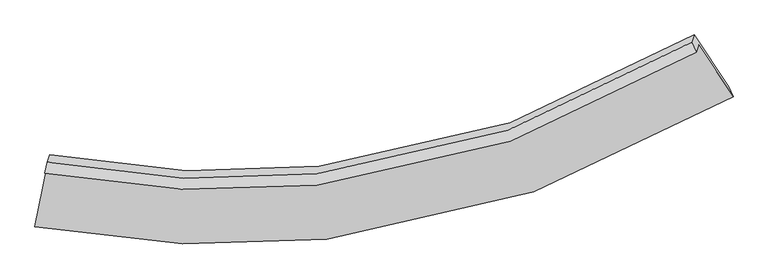
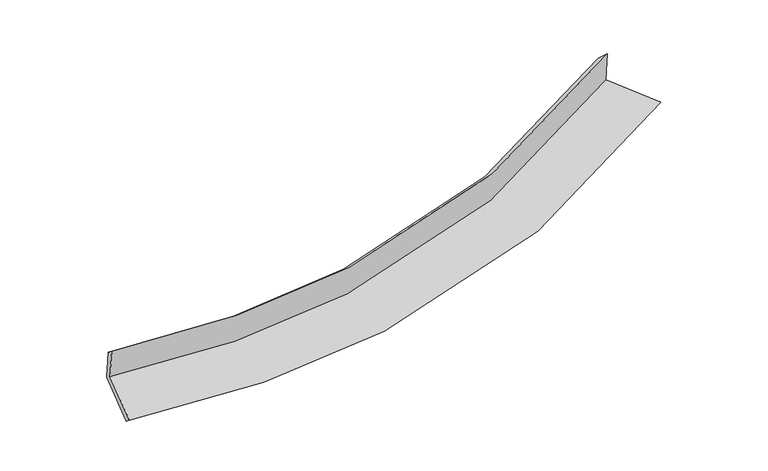
"""IFC4 building model written with IfcOpenShell, lengths in millimetres: proxy geometry."""

from ifc_helpers import new_model, si_unit, frame, origin, place, context, project, spatial, source, transform, mapped, element, save
from ifc_brep_helpers import plane_surface, spline_curve, spline_surface, advanced_brep


def generic_models_3bf3bb84(model_context):
    return source(origin(), model_context, "Body", "AdvancedBrep", [
        advanced_brep(
        [(-3270.5263487, -1862.4245309, 1633.5999148), (-3401.0523645, -2505.0795063, 1495.8786), (3952.0945994, -1131.8330853, 2247.112865), (3588.9795417, -587.0776913, 2332.1708878), (-3296.4705741, -1940.291056, 2021.5406357), (3562.3795778, -666.9122874, 2729.9167834), (-3270.0157982, -1824.2429297, 1931.1677864), (3514.7024994, -559.8096542, 2624.7618678), (-3244.0715728, -1746.3764046, 1543.2270655), (3540.5215469, -482.318826, 2238.6929159), (-3374.5975886, -2389.0313799, 1405.5057507), (3905.4342293, -1029.7710671, 2153.2138078)],
        [
            (0, 1),
            (1, 2, spline_curve(3, [(-3401.0523645, -2505.0795063, 1495.8786), (-2350.820379613, -2699.813899307, 1520.440724779), (-1326.216622639, -2742.006546864, 1575.685747806), (1155.677478942, -2467.850905944, 1789.168456223), (2582.122710373, -1967.909451782, 1984.334854436), (3952.0945994, -1131.8330853, 2247.112865)], [4, 2, 4], [0.0, 9.772169449101831, 24.27836219972336])),
            (2, 3),
            (3, 0, spline_curve(3, [(3588.9795417, -587.0776913, 2332.1708878), (2309.85035653, -1365.87574016, 2086.964910306), (978.713069245, -1831.112321099, 1905.138278178), (-1336.195143394, -2084.964132805, 1706.898384195), (-2291.559819654, -2044.843165267, 1655.868025081), (-3270.5263487, -1862.4245309, 1633.5999148)], [4, 2, 4], [0.0, 14.50619275062153, 24.27836219972336])),
            (4, 0),
            (3, 5),
            (5, 4, spline_curve(3, [(3562.3795778, -666.9122874, 2729.9167834), (2282.597278272, -1447.670532342, 2494.476746226), (951.275141784, -1913.461902022, 2315.414141268), (-1363.158730312, -2165.890072443, 2110.081488326), (-2318.119977935, -2124.558292392, 2053.018710358), (-3296.4705741, -1940.291056, 2021.5406357)], [4, 2, 4], [0.0, 14.000984824614875, 23.43281842234352])),
            (6, 4),
            (5, 7),
            (7, 6, spline_curve(3, [(3514.7024994, -559.8096542, 2624.7618678), (2249.543700171, -1332.716221121, 2389.785894844), (932.929288876, -1794.282735004, 2212.669143714), (-1356.747962624, -2045.710004862, 2013.07318325), (-2301.706317122, -2005.621249264, 1958.991906968), (-3270.0157982, -1824.2429297, 1931.1677864)], [4, 2, 4], [0.0, 13.925670427040991, 23.30676810338065])),
            (8, 6),
            (7, 9),
            (9, 8, spline_curve(3, [(3540.5215469, -482.318826, 2238.6929159), (2275.711219477, -1254.179523192, 1998.506290477), (959.251965916, -1715.280361336, 1819.069484049), (-1330.489145464, -1966.899294096, 1620.428411996), (-2275.560931705, -1927.150982246, 1568.043268337), (-3244.0715728, -1746.3764046, 1543.2270655)], [4, 2, 4], [0.0, 13.850345725309609, 23.18070053881294])),
            (10, 8),
            (9, 11),
            (11, 10, spline_curve(3, [(3905.4342293, -1029.7710671, 2153.2138078), (2548.255253955, -1852.693419919, 1896.600892593), (1135.659938579, -2345.67596772, 1704.335596342), (-1321.285124874, -2618.553270982, 1490.245533887), (-2335.367082367, -2578.657494263, 1433.274811212), (-3374.5975886, -2389.0313799, 1405.5057507)], [4, 2, 4], [0.0, 14.353941752407723, 24.02354655350593])),
            (1, 10),
            (11, 2),
        ],
        [
            spline_surface(3, 3, [[(-3270.5263487, -1862.4245309, 1633.5999148), (-2291.559819711, -2044.843165418, 1655.868024971), (-1336.19514347, -2084.964132869, 1706.898384036), (978.713069357, -1831.112321004, 1905.138278414), (2309.850356593, -1365.875740393, 2086.964910335), (3588.9795417, -587.0776913, 2332.1708878)], [(-3314.035020632, -2076.642856018, 1587.692809859), (-2311.313339682, -2263.166743401, 1610.725591601), (-1332.868969912, -2303.978270828, 1663.160838669), (1037.701205934, -2043.35851599, 1866.481670953), (2400.60780781, -1566.553644149, 2052.754891761), (3710.017894274, -768.662822654, 2303.818213527)], [(-3357.543692568, -2290.861181182, 1541.785704941), (-2331.066859657, -2481.490321429, 1565.583158254), (-1329.542796319, -2522.99240885, 1619.423293302), (1096.689342547, -2255.60471104, 1827.825063492), (2491.365259006, -1767.231547843, 2018.544873205), (3831.056246826, -950.247953946, 2275.465539273)], [(-3401.0523645, -2505.0795063, 1495.8786), (-2350.820379628, -2699.813899412, 1520.440724884), (-1326.216622761, -2742.006546809, 1575.685747935), (1155.677479124, -2467.850906026, 1789.168456031), (2582.122710223, -1967.909451599, 1984.334854631), (3952.0945994, -1131.8330853, 2247.112865)]], [4, 4], [4, 2, 4], [0.0, 2.179493851927325], [0.0, 9.772169449101831, 24.27836219972336]),
            spline_surface(3, 3, [[(-3296.4705741, -1940.291056, 2021.5406357), (-2318.119977854, -2124.558292346, 2053.01871029), (-1363.158730259, -2165.89007244, 2110.081488183), (951.275141706, -1913.461902026, 2315.414141481), (2282.59727808, -1447.67053244, 2494.476746146), (3562.3795778, -666.9122874, 2729.9167834)], [(-3287.822498979, -1914.335547622, 1892.227062056), (-2309.266591819, -2097.986583359, 1920.635148506), (-1354.170867981, -2138.914759277, 1975.687120153), (960.421117604, -1886.012041713, 2178.655520477), (2291.681637568, -1420.405601747, 2358.639467533), (3571.246232417, -640.300755356, 2597.334818191)], [(-3279.174423821, -1888.380039278, 1762.913488444), (-2300.413205746, -2071.414874405, 1788.251586755), (-1345.183005747, -2111.939446032, 1841.292752066), (969.567093459, -1858.562181318, 2041.896899417), (2300.765997105, -1393.140671086, 2222.802188948), (3580.112887083, -613.689223344, 2464.752853009)], [(-3270.5263487, -1862.4245309, 1633.5999148), (-2291.559819711, -2044.843165418, 1655.868024971), (-1336.19514347, -2084.964132869, 1706.898384036), (978.713069357, -1831.112321004, 1905.138278414), (2309.850356593, -1365.875740393, 2086.964910335), (3588.9795417, -587.0776913, 2332.1708878)]], [4, 4], [4, 2, 4], [0.0, 1.3667139838345554], [0.0, 9.431833597728644, 23.43281842234352]),
            spline_surface(3, 3, [[(-3270.0157982, -1824.2429297, 1931.1677864), (-2301.70631706, -2005.621249264, 1958.991906879), (-1356.747962557, -2045.710004818, 2013.07318311), (932.929288778, -1794.28273507, 2212.669143922), (2249.543700128, -1332.716221023, 2389.785894877), (3514.7024994, -559.8096542, 2624.7618678)], [(-3278.834056841, -1862.925638479, 1961.292069496), (-2307.177537332, -2045.266930303, 1990.334174679), (-1358.884885145, -2085.77002735, 2045.409284783), (939.044573067, -1834.009124047, 2246.917476424), (2260.561559429, -1371.034324824, 2424.682845327), (3530.594858851, -595.510531928, 2659.81350636)], [(-3287.652315459, -1901.608347221, 1991.416352604), (-2312.648757582, -2084.912611307, 2021.67644249), (-1361.021807671, -2125.830049908, 2077.74538651), (945.159857417, -1873.735513049, 2281.165808979), (2271.579418779, -1409.35242864, 2459.579795696), (3546.487218349, -631.211409672, 2694.86514484)], [(-3296.4705741, -1940.291056, 2021.5406357), (-2318.119977854, -2124.558292346, 2053.01871029), (-1363.158730259, -2165.89007244, 2110.081488183), (951.275141706, -1913.461902026, 2315.414141481), (2282.59727808, -1447.67053244, 2494.476746146), (3562.3795778, -666.9122874, 2729.9167834)]], [4, 4], [4, 2, 4], [0.0, 0.5135318257142719], [0.0, 9.38109767633966, 23.30676810338065]),
            spline_surface(3, 3, [[(-3244.0715728, -1746.3764046, 1543.2270655), (-2275.56093183, -1927.150982225, 1568.043268486), (-1330.489145403, -1966.899294091, 1620.428412062), (959.251965826, -1715.280361343, 1819.069483951), (2275.711219273, -1254.179523243, 1998.50629054), (3540.5215469, -482.318826, 2238.6929159)], [(-3252.719647921, -1772.331912978, 1672.540639144), (-2284.276060227, -1953.307737916, 1698.359481294), (-1339.24208443, -1993.169531001, 1751.310002429), (950.477740168, -1741.614485919, 1950.269370625), (2266.988712897, -1280.358422494, 2128.93282532), (3531.91519774, -508.149102057, 2367.382566534)], [(-3261.367723079, -1798.287421322, 1801.854212756), (-2292.991188662, -1979.464493573, 1828.67569407), (-1347.99502353, -2019.439767908, 1882.191592744), (941.703514436, -1767.948610494, 2081.469257248), (2258.266206503, -1306.537321773, 2259.359360097), (3523.30884856, -533.979378143, 2496.072217166)], [(-3270.0157982, -1824.2429297, 1931.1677864), (-2301.70631706, -2005.621249264, 1958.991906879), (-1356.747962557, -2045.710004818, 2013.07318311), (932.929288778, -1794.28273507, 2212.669143922), (2249.543700128, -1332.716221023, 2389.785894877), (3514.7024994, -559.8096542, 2624.7618678)]], [4, 4], [4, 2, 4], [0.0, 1.3181703057310172], [0.0, 9.33035481350333, 23.18070053881294]),
            spline_surface(3, 3, [[(-3374.5975886, -2389.0313799, 1405.5057507), (-2335.367082432, -2578.65749425, 1433.274811304), (-1321.285124962, -2618.553271098, 1490.245533939), (1135.65993871, -2345.675967548, 1704.335596265), (2548.255253845, -1852.693419815, 1896.600892672), (3905.4342293, -1029.7710671, 2153.2138078)], [(-3331.088916668, -2174.813054782, 1451.412855641), (-2315.431698899, -2361.48865689, 1478.197630372), (-1324.353131789, -2401.335278768, 1533.63982665), (1076.857281069, -2135.544098819, 1742.580225497), (2457.407242319, -1653.188787646, 1930.569358623), (3783.796668498, -847.286986755, 2181.706843829)], [(-3287.580244732, -1960.594729718, 1497.319960559), (-2295.496315363, -2144.319819585, 1523.120449418), (-1327.421138576, -2184.117286421, 1577.034119351), (1018.054623467, -1925.412230073, 1780.824854719), (2366.559230799, -1453.684155411, 1964.537824588), (3662.159107702, -664.802906345, 2210.199879871)], [(-3244.0715728, -1746.3764046, 1543.2270655), (-2275.56093183, -1927.150982225, 1568.043268486), (-1330.489145403, -1966.899294091, 1620.428412062), (959.251965826, -1715.280361343, 1819.069483951), (2275.711219273, -1254.179523243, 1998.50629054), (3540.5215469, -482.318826, 2238.6929159)]], [4, 4], [4, 2, 4], [0.0, 2.1601718707428472], [0.0, 9.669604801098208, 24.02354655350593]),
            spline_surface(3, 3, [[(-3401.0523645, -2505.0795063, 1495.8786), (-2350.820379628, -2699.813899412, 1520.440724884), (-1326.216622761, -2742.006546809, 1575.685747935), (1155.677479124, -2467.850906026, 1789.168456031), (2582.122710223, -1967.909451599, 1984.334854631), (3952.0945994, -1131.8330853, 2247.112865)], [(-3392.234105859, -2466.396797521, 1465.754316904), (-2345.669280555, -2659.428431046, 1491.385420362), (-1324.572790155, -2700.855454901, 1547.205676582), (1149.004965659, -2427.12592653, 1760.890836088), (2570.833558118, -1929.504107653, 1955.090200637), (3936.541142721, -1097.812412549, 2215.813179259)], [(-3383.415847241, -2427.714088679, 1435.630033796), (-2340.518181505, -2619.042962616, 1462.330115827), (-1322.928957568, -2659.704363005, 1518.725605292), (1142.332452175, -2386.400947045, 1732.613216208), (2559.54440595, -1891.09876376, 1925.845546666), (3920.987685979, -1063.791739851, 2184.513493541)], [(-3374.5975886, -2389.0313799, 1405.5057507), (-2335.367082432, -2578.65749425, 1433.274811304), (-1321.285124962, -2618.553271098, 1490.245533939), (1135.65993871, -2345.675967548, 1704.335596265), (2548.255253845, -1852.693419815, 1896.600892672), (3905.4342293, -1029.7710671, 2153.2138078)]], [4, 4], [4, 2, 4], [0.0, 0.49021314587682446], [0.0, 10.060660072598022, 24.995099653463306]),
            plane_surface(frame((3677.3519991, -742.9537685, 2387.6448546), z_axis=(0.8325851659081849, 0.5296783163686124, 0.16199636625107483), x_axis=(-0.06542851452316774, -0.19637090718043293, 0.9783443035559749))),
            plane_surface(frame((-3309.4557078, -2044.5743012, 1671.8199589), z_axis=(-0.9786600588322419, 0.2040202928439574, -0.02449917048266699), x_axis=(0.19479116698085816, 0.9590694380080098, 0.2055291082675046))),
        ],
        [
            (0, [[1, 2, 3, 4]]),
            (1, [[5, -4, 6, 7]]),
            (2, [[8, -7, 9, 10]]),
            (3, [[11, -10, 12, 13]]),
            (4, [[14, -13, 15, 16]]),
            (5, [[17, -16, 18, -2]]),
            (6, [[-12, -9, -6, -3, -18, -15]]),
            (7, [[-1, -5, -8, -11, -14, -17]]),
        ],
    ),
    ])


if __name__ == "__main__":
    model = new_model("IFC4")
    model_context = context("Model", 3, world=origin())
    ifc_project = project(units=[si_unit("LENGTHUNIT", "METRE", prefix="MILLI")], contexts=[model_context])
    site = spatial("IfcSite", under=ifc_project)
    building = spatial("IfcBuilding", under=site)
    placement = place(None, origin())
    generic_models_shape = generic_models_3bf3bb84(model_context)
    element("IfcBuildingElementProxy", 1, Name="Generic Models", at=placement, inside=building, context=model_context, shape_type="MappedRepresentation", body=[
        mapped(generic_models_shape, transform((0.0, 0.0, 0.0), x_axis=(1.0, 0.0, 0.0), y_axis=(0.0, 1.0, 0.0), z_axis=(0.0, 0.0, 1.0))),
    ])
    save(model, "model.ifc")
